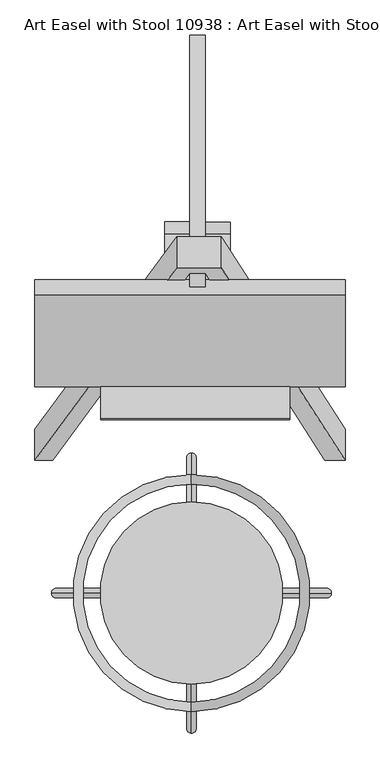
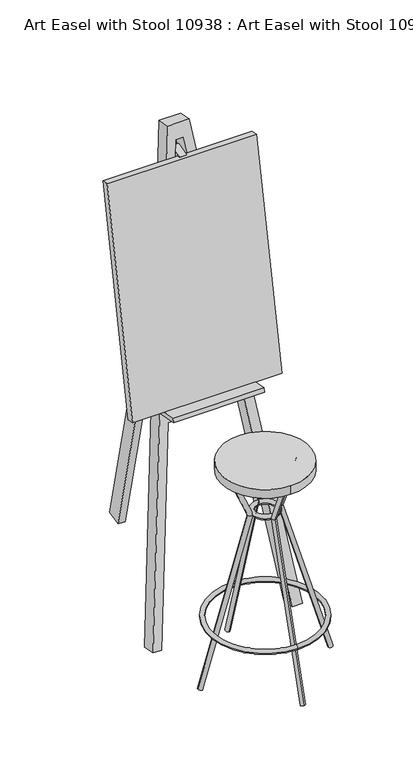
"""IFC4 building model written with IfcOpenShell, lengths in millimetres: furniture geometry, Art Easel with Stool 10938 : Art Easel with Stool 10938."""

from ifc_helpers import new_model, si_unit, point, frame, frame_2d, origin, origin_2d, place, context, project, spatial, polyline, circle_curve, ellipse_curve, trimmed, segment, composite_curve, outline, extrude, source, transform, mapped, element, save
from ifc_brep_helpers import plane_surface, cylinder_surface, revolved_surface, advanced_brep


def art_easel_with_stool_10938_art_easel_with_stool_10938_63cca147(model_context):
    return source(origin(), model_context, "Body", "SolidModel", [
        extrude(outline(polyline([(0.0, -25.0), (0.0, 0.0), (492.1696373, 0.0), (492.1696373, -25.0), (0.0, -25.0)])), frame((243.6591839, 327.5766178, 740.7147904), z_axis=(0.0, 0.19080899537654755, 0.9816271834476635), x_axis=(-1.0, 0.0, 0.0)), (0.0, 0.0, 1.0), 758.2171145),
        extrude(outline(composite_curve([segment(polyline([(488.2886308, 1294.8913622), (570.3923261, 1272.8917434)]), True, "CONTINUOUS"), segment(trimmed(circle_curve(frame_2d((563.9218499, 1248.7435977)), 25.0), [point((570.3923261, 1272.8917434))], [point((557.4513738, 1224.5954521))], False, "CARTESIAN"), True, "CONTINUOUS"), segment(polyline([(557.4513738, 1224.5954521), (475.3476786, 1246.5950709)]), True, "CONTINUOUS"), segment(trimmed(circle_curve(frame_2d((481.8181547, 1270.7432166)), 25.0), [point((475.3476786, 1246.5950709))], [point((488.2886308, 1294.8913622))], False, "CARTESIAN"), True, "CONTINUOUS")], self_intersect=False)), frame((-42.5780911, 0.0, 0.0), z_axis=(1.0, 0.0, 0.0), x_axis=(0.0, 1.0, 0.0)), (0.0, 0.0, 1.0), 40.1524564),
        extrude(outline(composite_curve([segment(polyline([(487.8963048, 1294.8913622), (570.0, 1272.8917434)]), True, "CONTINUOUS"), segment(trimmed(circle_curve(frame_2d((563.5295239, 1248.7435977)), 25.0), [point((570.0, 1272.8917434))], [point((557.0590477, 1224.5954521))], False, "CARTESIAN"), True, "CONTINUOUS"), segment(polyline([(557.0590477, 1224.5954521), (474.9553525, 1246.5950709)]), True, "CONTINUOUS"), segment(trimmed(circle_curve(frame_2d((481.4258286, 1270.7432166)), 25.0), [point((474.9553525, 1246.5950709))], [point((487.8963048, 1294.8913622))], False, "CARTESIAN"), True, "CONTINUOUS")], self_intersect=False)), frame((21.488369, 0.0, 0.0), z_axis=(1.0, 0.0, 0.0), x_axis=(0.0, 1.0, 0.0)), (0.0, 0.0, 1.0), 40.1524564),
        extrude(outline(polyline([(0.0, -76.0901602), (0.0, 0.0), (300.1179888, 0.0), (300.1179888, -76.0901602), (0.0, -76.0901602)])), frame((156.1864792, 274.6405989, 736.138093), z_axis=(0.0, 0.19080899537653903, 0.9816271834476651), x_axis=(-1.0, 0.0, 0.0)), (0.0, 0.0, 1.0), 14.5932792),
        extrude(outline(polyline([(0.0, -23.9729594), (0.0, 0.0), (50.0, 0.0), (50.0, -23.9729594), (0.0, -23.9729594)])), frame((-2.4845904, 836.9699849, -7.3165022), z_axis=(0.0, -0.23021547965360503, 0.9731396780153714), x_axis=(0.0, 0.9731396780153714, 0.23021547965360503)), (0.0, 0.0, 1.0), 1531.0625841),
        extrude(outline(polyline([(31.8547455, 0.0), (116.5760926, -690.0), (366.9499365, -690.0), (463.9231124, 0.0), (492.1696373, 0.0), (267.3043017, -1600.0), (196.4552974, -1600.0), (0.0, 0.0), (31.8547455, 0.0)]), holes=[polyline([(222.1708149, -1550.0), (246.0848186, -1550.0), (359.9228947, -740.0000001), (122.7153206, -740.0000001), (222.1708149, -1550.0)])]), frame((243.6591839, 260.0, 0.0), z_axis=(0.0, -0.9816271834476651, 0.190808995376539), x_axis=(-1.0, 0.0, 0.0)), (0.0, 0.0, 1.0), 50.0),
        extrude(outline(composite_curve([segment(trimmed(circle_curve(origin_2d(), 145.0), [point((0.0, 145.0))], [point((0.0, -145.0))], False, "CARTESIAN"), True, "CONTINUOUS"), segment(trimmed(circle_curve(origin_2d(), 145.0), [point((0.0, -145.0))], [point((0.0, 145.0))], False, "CARTESIAN"), True, "CONTINUOUS")], self_intersect=False)), frame((0.0, 0.0, 690.0), z_axis=(0.0, 0.0, 1.0), x_axis=(1.0, 0.0, 0.0)), (0.0, 0.0, 1.0), 30.0),
        advanced_brep(
        [(0.0, 116.8889238, 687.0347465), (0.0, 103.1110762, 692.9652535), (0.0, 57.9673302, 550.1471673), (0.0, 42.0326698, 551.066933), (0.0, 222.1843508, 2.152929), (0.0, 207.8156492, -2.152929)],
        [
            (0, 1, circle_curve(frame((0.0, 110.0, 690.0), z_axis=(0.0, 0.39536713177121413, 0.918523179410843), x_axis=(0.0, -0.9185231794108428, 0.395367131771214)), 7.5)),
            (1, 0, circle_curve(frame((0.0, 110.0, 690.0), z_axis=(0.0, 0.39536713177121413, 0.918523179410843), x_axis=(0.0, -0.9185231794108428, 0.395367131771214)), 7.5)),
            (0, 2),
            (2, 3, ellipse_curve(frame((0.0, 50.0, 550.6070502), z_axis=(0.0, 0.057625155518327635, 0.9983382900858248), x_axis=(0.0, 0.9983382900858248, -0.05762515551832712)), 7.9805916, 7.5)),
            (3, 1),
            (3, 2, ellipse_curve(frame((0.0, 50.0, 550.6070502), z_axis=(0.0, 0.057625155518327635, 0.9983382900858248), x_axis=(0.0, 0.9983382900858248, -0.05762515551832712)), 7.9805916, 7.5)),
            (4, 5, circle_curve(frame((0.0, 215.0, 0.0), z_axis=(0.0, 0.2870571999058805, -0.9579134428444961), x_axis=(0.0, -0.9579134428444961, -0.2870571999058805)), 7.5)),
            (5, 4, circle_curve(frame((0.0, 215.0, 0.0), z_axis=(0.0, 0.2870571999058805, -0.9579134428444961), x_axis=(0.0, -0.9579134428444961, -0.2870571999058805)), 7.5)),
            (2, 4),
            (5, 3),
        ],
        [
            plane_surface(frame((0.0, 110.0, 690.0), z_axis=(0.0, 0.39536713177121396, 0.918523179410843), x_axis=(1.0, 0.0, 0.0))),
            cylinder_surface(frame((0.0, 110.0, 690.0), z_axis=(0.0, 0.395367131771214, 0.9185231794108428), x_axis=(0.0, -0.9185231794108428, 0.395367131771214)), 7.5),
            plane_surface(frame((0.0, 215.0, 0.0), z_axis=(0.0, 0.2870571999058805, -0.9579134428444959), x_axis=(1.0, 0.0, 0.0))),
            cylinder_surface(frame((0.0, 50.0, 550.6070502), z_axis=(0.0, -0.2870571999058805, 0.9579134428444961), x_axis=(0.0, -0.9579134428444961, -0.2870571999058805)), 7.5),
        ],
        [
            (0, [[1, 2]]),
            (1, [[-1, 3, 4, 5]]),
            (1, [[-2, -5, 6, -3]]),
            (2, [[7, 8]]),
            (3, [[-4, 9, -8, 10]]),
            (3, [[-6, -10, -7, -9]]),
        ],
    ),
        advanced_brep(
        [(0.0, -116.8889238, 687.0347465), (0.0, -103.1110762, 692.9652535), (0.0, -57.9673302, 550.1471673), (0.0, -42.0326698, 551.066933), (0.0, -222.1843508, 2.152929), (0.0, -207.8156492, -2.152929)],
        [
            (0, 1, circle_curve(frame((0.0, -110.0, 690.0), z_axis=(0.0, -0.3953671317712141, 0.918523179410843), x_axis=(0.0, 0.9185231794108428, 0.39536713177121396)), 7.5)),
            (1, 0, circle_curve(frame((0.0, -110.0, 690.0), z_axis=(0.0, -0.3953671317712141, 0.918523179410843), x_axis=(0.0, 0.9185231794108428, 0.39536713177121396)), 7.5)),
            (0, 2),
            (2, 3, ellipse_curve(frame((0.0, -50.0, 550.6070502), z_axis=(0.0, -0.05762515551832775, 0.9983382900858248), x_axis=(0.0, -0.9983382900858249, -0.05762515551832748)), 7.9805916, 7.5)),
            (3, 1),
            (3, 2, ellipse_curve(frame((0.0, -50.0, 550.6070502), z_axis=(0.0, -0.05762515551832775, 0.9983382900858248), x_axis=(0.0, -0.9983382900858249, -0.05762515551832748)), 7.9805916, 7.5)),
            (4, 5, circle_curve(frame((0.0, -215.0, 0.0), z_axis=(0.0, -0.28705719990588024, -0.9579134428444961), x_axis=(0.0, 0.9579134428444961, -0.28705719990588024)), 7.5)),
            (5, 4, circle_curve(frame((0.0, -215.0, 0.0), z_axis=(0.0, -0.28705719990588024, -0.9579134428444961), x_axis=(0.0, 0.9579134428444961, -0.28705719990588024)), 7.5)),
            (2, 4),
            (5, 3),
        ],
        [
            plane_surface(frame((0.0, -110.0, 690.0), z_axis=(0.0, -0.39536713177121396, 0.918523179410843), x_axis=(1.0, 0.0, 0.0))),
            cylinder_surface(frame((0.0, -110.0, 690.0), z_axis=(0.0, -0.39536713177121396, 0.9185231794108428), x_axis=(0.0, 0.9185231794108428, 0.39536713177121396)), 7.5),
            plane_surface(frame((0.0, -215.0, 0.0), z_axis=(0.0, -0.2870571999058804, -0.9579134428444961), x_axis=(1.0, 0.0, 0.0))),
            cylinder_surface(frame((0.0, -50.0, 550.6070502), z_axis=(0.0, 0.28705719990588024, 0.9579134428444961), x_axis=(0.0, 0.9579134428444961, -0.28705719990588024)), 7.5),
        ],
        [
            (0, [[1, 2]]),
            (1, [[-1, 3, 4, 5]]),
            (1, [[-2, -5, 6, -3]]),
            (2, [[7, 8]]),
            (3, [[-4, 9, -8, 10]]),
            (3, [[-6, -10, -7, -9]]),
        ],
    ),
        advanced_brep(
        [(116.8889238, 0.0, 687.0347465), (103.1110762, 0.0, 692.9652535), (57.9673302, 0.0, 550.1471673), (42.0326698, 0.0, 551.066933), (222.1843508, 0.0, 2.152929), (207.8156492, 0.0, -2.152929)],
        [
            (0, 1, circle_curve(frame((110.0, 0.0, 690.0), z_axis=(0.3953671317712141, 0.0, 0.9185231794108429), x_axis=(-0.9185231794108429, 0.0, 0.3953671317712141)), 7.5)),
            (1, 0, circle_curve(frame((110.0, 0.0, 690.0), z_axis=(0.3953671317712141, 0.0, 0.9185231794108429), x_axis=(-0.9185231794108429, 0.0, 0.3953671317712141)), 7.5)),
            (0, 2),
            (2, 3, ellipse_curve(frame((50.0, 0.0, 550.6070502), z_axis=(0.057625155518327836, 0.0, 0.9983382900858249), x_axis=(0.9983382900858249, 0.0, -0.05762515551832815)), 7.9805916, 7.5)),
            (3, 1),
            (3, 2, ellipse_curve(frame((50.0, 0.0, 550.6070502), z_axis=(0.057625155518327836, 0.0, 0.9983382900858249), x_axis=(0.9983382900858249, 0.0, -0.05762515551832815)), 7.9805916, 7.5)),
            (4, 5, circle_curve(frame((215.0, 0.0, 0.0), z_axis=(0.28705719990588013, 0.0, -0.957913442844496), x_axis=(-0.957913442844496, 0.0, -0.28705719990588013)), 7.5)),
            (5, 4, circle_curve(frame((215.0, 0.0, 0.0), z_axis=(0.28705719990588013, 0.0, -0.957913442844496), x_axis=(-0.957913442844496, 0.0, -0.28705719990588013)), 7.5)),
            (2, 4),
            (5, 3),
        ],
        [
            plane_surface(frame((110.0, 0.0, 690.0), z_axis=(0.395367131771214, 0.0, 0.918523179410843), x_axis=(0.0, -1.0, 0.0))),
            cylinder_surface(frame((110.0, 0.0, 690.0), z_axis=(0.3953671317712141, 0.0, 0.9185231794108429), x_axis=(-0.9185231794108429, 0.0, 0.3953671317712141)), 7.5),
            plane_surface(frame((215.0, 0.0, 0.0), z_axis=(0.2870571999058803, 0.0, -0.9579134428444961), x_axis=(0.0, -1.0, 0.0))),
            cylinder_surface(frame((50.0, 0.0, 550.6070502), z_axis=(-0.28705719990588013, 0.0, 0.957913442844496), x_axis=(-0.957913442844496, 0.0, -0.28705719990588013)), 7.5),
        ],
        [
            (0, [[1, 2]]),
            (1, [[-1, 3, 4, 5]]),
            (1, [[-2, -5, 6, -3]]),
            (2, [[7, 8]]),
            (3, [[-4, 9, -8, 10]]),
            (3, [[-6, -10, -7, -9]]),
        ],
    ),
        advanced_brep(
        [(-116.8889238, 0.0, 687.0347465), (-103.1110762, 0.0, 692.9652535), (-57.9673302, 0.0, 550.1471673), (-42.0326698, 0.0, 551.066933), (-222.1843508, 0.0, 2.152929), (-207.8156492, 0.0, -2.152929)],
        [
            (0, 1, circle_curve(frame((-110.0, 0.0, 690.0), z_axis=(-0.39536713177121396, 0.0, 0.9185231794108429), x_axis=(0.9185231794108429, 0.0, 0.39536713177121396)), 7.5)),
            (1, 0, circle_curve(frame((-110.0, 0.0, 690.0), z_axis=(-0.39536713177121396, 0.0, 0.9185231794108429), x_axis=(0.9185231794108429, 0.0, 0.39536713177121396)), 7.5)),
            (0, 2),
            (2, 3, ellipse_curve(frame((-50.0, 0.0, 550.6070502), z_axis=(-0.05762515551832772, 0.0, 0.9983382900858249), x_axis=(-0.9983382900858249, 0.0, -0.05762515551832815)), 7.9805916, 7.5)),
            (3, 1),
            (3, 2, ellipse_curve(frame((-50.0, 0.0, 550.6070502), z_axis=(-0.05762515551832772, 0.0, 0.9983382900858249), x_axis=(-0.9983382900858249, 0.0, -0.05762515551832815)), 7.9805916, 7.5)),
            (4, 5, circle_curve(frame((-215.0, 0.0, 0.0), z_axis=(-0.28705719990588024, 0.0, -0.957913442844496), x_axis=(0.957913442844496, 0.0, -0.28705719990588024)), 7.5)),
            (5, 4, circle_curve(frame((-215.0, 0.0, 0.0), z_axis=(-0.28705719990588024, 0.0, -0.957913442844496), x_axis=(0.957913442844496, 0.0, -0.28705719990588024)), 7.5)),
            (2, 4),
            (5, 3),
        ],
        [
            plane_surface(frame((-110.0, 0.0, 690.0), z_axis=(-0.3953671317712139, 0.0, 0.918523179410843), x_axis=(0.0, -1.0, 0.0))),
            cylinder_surface(frame((-110.0, 0.0, 690.0), z_axis=(-0.39536713177121396, 0.0, 0.9185231794108429), x_axis=(0.9185231794108429, 0.0, 0.39536713177121396)), 7.5),
            plane_surface(frame((-215.0, 0.0, 0.0), z_axis=(-0.28705719990588036, 0.0, -0.957913442844496), x_axis=(0.0, -1.0, 0.0))),
            cylinder_surface(frame((-50.0, 0.0, 550.6070502), z_axis=(0.28705719990588024, 0.0, 0.957913442844496), x_axis=(0.957913442844496, 0.0, -0.28705719990588024)), 7.5),
        ],
        [
            (0, [[1, 2]]),
            (1, [[-1, 3, 4, 5]]),
            (1, [[-2, -5, 6, -3]]),
            (2, [[7, 8]]),
            (3, [[-4, 9, -8, 10]]),
            (3, [[-6, -10, -7, -9]]),
        ],
    ),
        advanced_brep(
        [(0.0, -46.6160864, 550.5840512), (0.0, 46.6160864, 550.5840512), (0.0, 31.6160864, 550.5840512), (0.0, -31.6160864, 550.5840512)],
        [
            (0, 1, circle_curve(frame((0.0, 0.0, 550.5840512), z_axis=(0.0, 0.0, 1.0), x_axis=(0.0, 1.0, 0.0)), 46.6160864)),
            (1, 2, circle_curve(frame((0.0, 39.1160864, 550.5840512), z_axis=(1.0, 0.0, 0.0), x_axis=(0.0, 1.0, 0.0)), 7.5)),
            (2, 3, circle_curve(frame((0.0, 0.0, 550.5840512), z_axis=(0.0, 0.0, -1.0), x_axis=(0.0, 1.0, 0.0)), 31.6160864)),
            (3, 0, circle_curve(frame((0.0, -39.1160864, 550.5840512), z_axis=(1.0, 0.0, 0.0), x_axis=(0.0, -1.0, 0.0)), 7.5)),
            (2, 1, circle_curve(frame((0.0, 39.1160864, 550.5840512), z_axis=(1.0, 0.0, 0.0), x_axis=(0.0, 1.0, 0.0)), 7.5)),
            (0, 3, circle_curve(frame((0.0, -39.1160864, 550.5840512), z_axis=(1.0, 0.0, 0.0), x_axis=(0.0, -1.0, 0.0)), 7.5)),
            (1, 0, circle_curve(frame((0.0, 0.0, 550.5840512), z_axis=(0.0, 0.0, 1.0), x_axis=(0.0, -1.0, 0.0)), 46.6160864)),
            (3, 2, circle_curve(frame((0.0, 0.0, 550.5840512), z_axis=(0.0, 0.0, -1.0), x_axis=(0.0, -1.0, 0.0)), 31.6160864)),
        ],
        [
            revolved_surface(trimmed(ellipse_curve(frame((0.0, 39.1160864, 550.5840512), z_axis=(-1.0, 0.0, 0.0), x_axis=(0.0, 1.0, 0.0)), 7.5, 7.5), [point((0.0, 31.6160864, 550.5840512))], [point((0.0, 46.6160864, 550.5840512))], True, "CARTESIAN"), (0.0, 0.0, 550.0), (0.0, 0.0, -1.0)),
            revolved_surface(trimmed(ellipse_curve(frame((0.0, 39.1160864, 550.5840512), z_axis=(-1.0, 0.0, 0.0), x_axis=(0.0, 1.0, 0.0)), 7.5, 7.5), [point((0.0, 46.6160864, 550.5840512))], [point((0.0, 31.6160864, 550.5840512))], True, "CARTESIAN"), (0.0, 0.0, 550.0), (0.0, 0.0, -1.0)),
            revolved_surface(trimmed(ellipse_curve(frame((0.0, -39.1160864, 550.5840512), z_axis=(1.0, 0.0, 0.0), x_axis=(0.0, -1.0, 0.0)), 7.5, 7.5), [point((0.0, -31.6160864, 550.5840512))], [point((0.0, -46.6160864, 550.5840512))], True, "CARTESIAN"), (0.0, 0.0, 550.0), (0.0, 0.0, -1.0)),
            revolved_surface(trimmed(ellipse_curve(frame((0.0, -39.1160864, 550.5840512), z_axis=(1.0, 0.0, 0.0), x_axis=(0.0, -1.0, 0.0)), 7.5, 7.5), [point((0.0, -46.6160864, 550.5840512))], [point((0.0, -31.6160864, 550.5840512))], True, "CARTESIAN"), (0.0, 0.0, 550.0), (0.0, 0.0, -1.0)),
        ],
        [
            (0, [[1, 2, 3, 4]]),
            (1, [[-3, 5, -1, 6]]),
            (2, [[7, -4, 8, -2]]),
            (3, [[-8, -6, -7, -5]]),
        ],
    ),
        advanced_brep(
        [(0.0, -187.9786756, 180.0), (0.0, 187.9786756, 180.0), (0.0, 172.9786756, 180.0), (0.0, -172.9786756, 180.0)],
        [
            (0, 1, circle_curve(frame((0.0, 0.0, 180.0), z_axis=(0.0, 0.0, 1.0), x_axis=(0.0, 1.0, 0.0)), 187.9786756)),
            (1, 2, circle_curve(frame((0.0, 180.4786756, 180.0), z_axis=(1.0, 0.0, 0.0), x_axis=(0.0, 1.0, 0.0)), 7.5)),
            (2, 3, circle_curve(frame((0.0, 0.0, 180.0), z_axis=(0.0, 0.0, -1.0), x_axis=(0.0, 1.0, 0.0)), 172.9786756)),
            (3, 0, circle_curve(frame((0.0, -180.4786756, 180.0), z_axis=(1.0, 0.0, 0.0), x_axis=(0.0, -1.0, 0.0)), 7.5)),
            (2, 1, circle_curve(frame((0.0, 180.4786756, 180.0), z_axis=(1.0, 0.0, 0.0), x_axis=(0.0, 1.0, 0.0)), 7.5)),
            (0, 3, circle_curve(frame((0.0, -180.4786756, 180.0), z_axis=(1.0, 0.0, 0.0), x_axis=(0.0, -1.0, 0.0)), 7.5)),
            (1, 0, circle_curve(frame((0.0, 0.0, 180.0), z_axis=(0.0, 0.0, 1.0), x_axis=(0.0, -1.0, 0.0)), 187.9786756)),
            (3, 2, circle_curve(frame((0.0, 0.0, 180.0), z_axis=(0.0, 0.0, -1.0), x_axis=(0.0, -1.0, 0.0)), 172.9786756)),
        ],
        [
            revolved_surface(trimmed(ellipse_curve(frame((0.0, 180.4786756, 180.0), z_axis=(-1.0, 0.0, 0.0), x_axis=(0.0, 1.0, 0.0)), 7.5, 7.5), [point((0.0, 172.9786756, 180.0))], [point((0.0, 187.9786756, 180.0))], True, "CARTESIAN"), (0.0, 0.0, 180.0), (0.0, 0.0, -1.0)),
            revolved_surface(trimmed(ellipse_curve(frame((0.0, 180.4786756, 180.0), z_axis=(-1.0, 0.0, 0.0), x_axis=(0.0, 1.0, 0.0)), 7.5, 7.5), [point((0.0, 187.9786756, 180.0))], [point((0.0, 172.9786756, 180.0))], True, "CARTESIAN"), (0.0, 0.0, 180.0), (0.0, 0.0, -1.0)),
            revolved_surface(trimmed(ellipse_curve(frame((0.0, -180.4786756, 180.0), z_axis=(1.0, 0.0, 0.0), x_axis=(0.0, -1.0, 0.0)), 7.5, 7.5), [point((0.0, -172.9786756, 180.0))], [point((0.0, -187.9786756, 180.0))], True, "CARTESIAN"), (0.0, 0.0, 180.0), (0.0, 0.0, -1.0)),
            revolved_surface(trimmed(ellipse_curve(frame((0.0, -180.4786756, 180.0), z_axis=(1.0, 0.0, 0.0), x_axis=(0.0, -1.0, 0.0)), 7.5, 7.5), [point((0.0, -187.9786756, 180.0))], [point((0.0, -172.9786756, 180.0))], True, "CARTESIAN"), (0.0, 0.0, 180.0), (0.0, 0.0, -1.0)),
        ],
        [
            (0, [[1, 2, 3, 4]]),
            (1, [[-3, 5, -1, 6]]),
            (2, [[7, -4, 8, -2]]),
            (3, [[-8, -6, -7, -5]]),
        ],
    ),
    ])


if __name__ == "__main__":
    model = new_model("IFC4")
    model_context = context("Model", 3, world=origin())
    ifc_project = project(units=[si_unit("LENGTHUNIT", "METRE", prefix="MILLI")], contexts=[model_context])
    site = spatial("IfcSite", under=ifc_project)
    building = spatial("IfcBuilding", under=site)
    placement = place(None, origin())
    art_easel_with_stool_10938_art_easel_with_stool_10938_shape = art_easel_with_stool_10938_art_easel_with_stool_10938_63cca147(model_context)
    element("IfcFurniture", 1, ObjectType="Art Easel with Stool 10938 : Art Easel with Stool 10938", at=placement, inside=building, context=model_context, shape_type="MappedRepresentation", body=[
        mapped(art_easel_with_stool_10938_art_easel_with_stool_10938_shape, transform((0.0, 0.0, 0.0), x_axis=(1.0, 0.0, 0.0), y_axis=(0.0, 1.0, 0.0), z_axis=(0.0, 0.0, 1.0))),
    ])
    save(model, "model.ifc")
